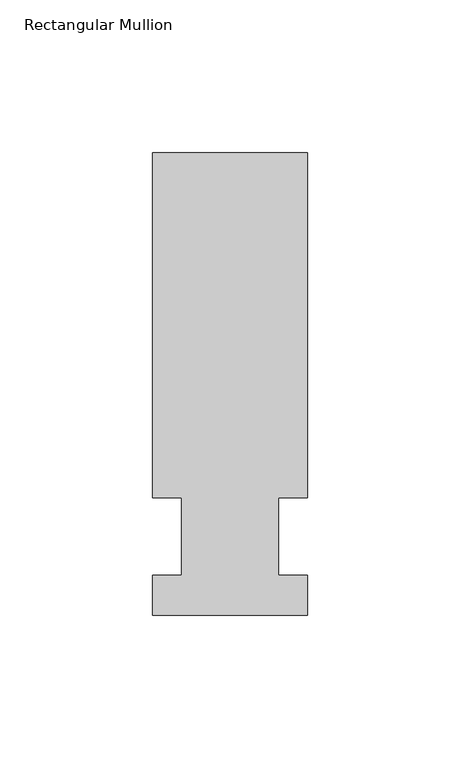
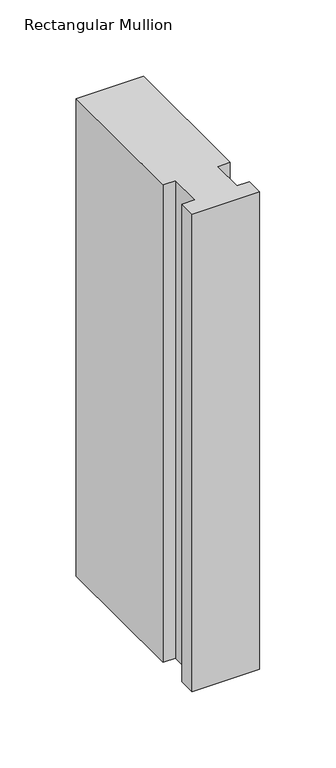
"""IFC4 building model written with IfcOpenShell, lengths in millimetres: member geometry, Rectangular Mullion."""

from ifc_helpers import new_model, si_unit, frame, origin, place, context, project, spatial, polyline, outline, extrude, source, transform, mapped, element, save


def rectangular_mullion_cba0290d(model_context):
    return source(origin(), model_context, "Body", "SweptSolid", [
        extrude(outline(polyline([(-25.4, -25.796875), (-25.4, -12.7), (-15.875, -12.7), (-15.875, 12.7), (-25.4, 12.7), (-25.4, 125.809375), (25.4, 125.809375), (25.4, 12.7), (15.875, 12.7), (15.875, -12.7), (25.4, -12.7), (25.4, -25.796875), (-25.4, -25.796875)])), frame((0.0, 0.0, -381.0), z_axis=(0.0, 0.0, 1.0), x_axis=(1.0, 0.0, 0.0)), (0.0, 0.0, 1.0), 381.0),
    ])


if __name__ == "__main__":
    model = new_model("IFC4")
    model_context = context("Model", 3, world=origin())
    ifc_project = project(units=[si_unit("LENGTHUNIT", "METRE", prefix="MILLI")], contexts=[model_context])
    site = spatial("IfcSite", under=ifc_project)
    building = spatial("IfcBuilding", under=site)
    placement = place(None, origin())
    rectangular_mullion_shape = rectangular_mullion_cba0290d(model_context)
    element("IfcMember", 1, ObjectType="Rectangular Mullion", at=placement, inside=building, context=model_context, shape_type="MappedRepresentation", body=[
        mapped(rectangular_mullion_shape, transform((0.0, 0.0, 0.0), x_axis=(1.0, 0.0, 0.0), y_axis=(0.0, 1.0, 0.0), z_axis=(0.0, 0.0, 1.0))),
    ])
    save(model, "model.ifc")
